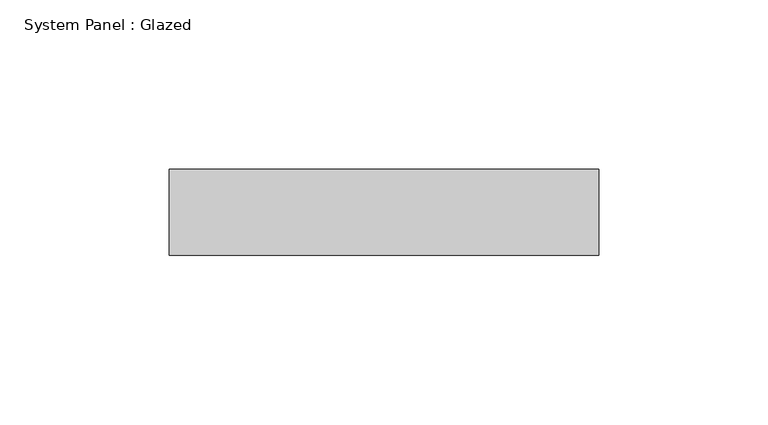
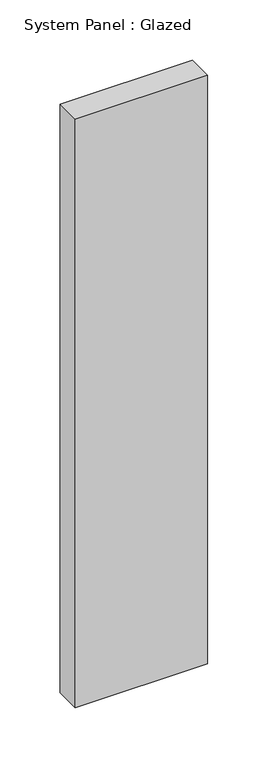
"""IFC4 building model written with IfcOpenShell, lengths in millimetres: plate geometry, System Panel : Glazed."""

from ifc_helpers import new_model, si_unit, origin, origin_with_axes, place, context, project, spatial, polyline, outline, extrude, source, transform, mapped, element, save


def system_panel_glazed_0e0f415a(model_context):
    return source(origin(), model_context, "Body", "SweptSolid", [
        extrude(outline(polyline([(63.5, 19.05), (-63.5, 19.05), (-63.5, 44.45), (63.5, 44.45), (63.5, 19.05)])), origin_with_axes(), (0.0, 0.0, 1.0), 596.9),
    ])


if __name__ == "__main__":
    model = new_model("IFC4")
    model_context = context("Model", 3, world=origin())
    ifc_project = project(units=[si_unit("LENGTHUNIT", "METRE", prefix="MILLI")], contexts=[model_context])
    site = spatial("IfcSite", under=ifc_project)
    building = spatial("IfcBuilding", under=site)
    placement = place(None, origin())
    system_panel_glazed_shape = system_panel_glazed_0e0f415a(model_context)
    element("IfcPlate", 1, ObjectType="System Panel : Glazed", at=placement, inside=building, context=model_context, shape_type="MappedRepresentation", body=[
        mapped(system_panel_glazed_shape, transform((0.0, 0.0, 0.0), x_axis=(1.0, 0.0, 0.0), y_axis=(0.0, 1.0, 0.0), z_axis=(0.0, 0.0, 1.0))),
    ])
    save(model, "model.ifc")
